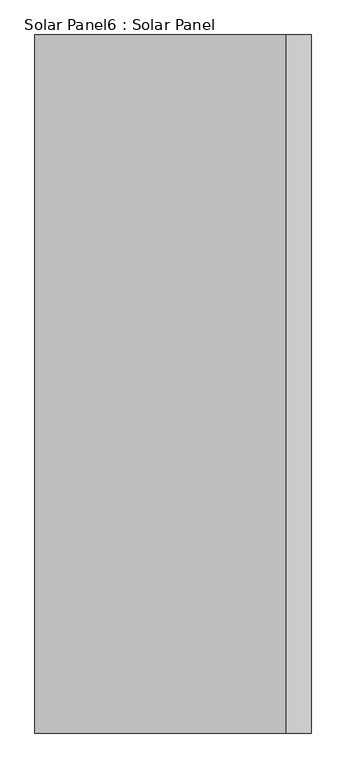
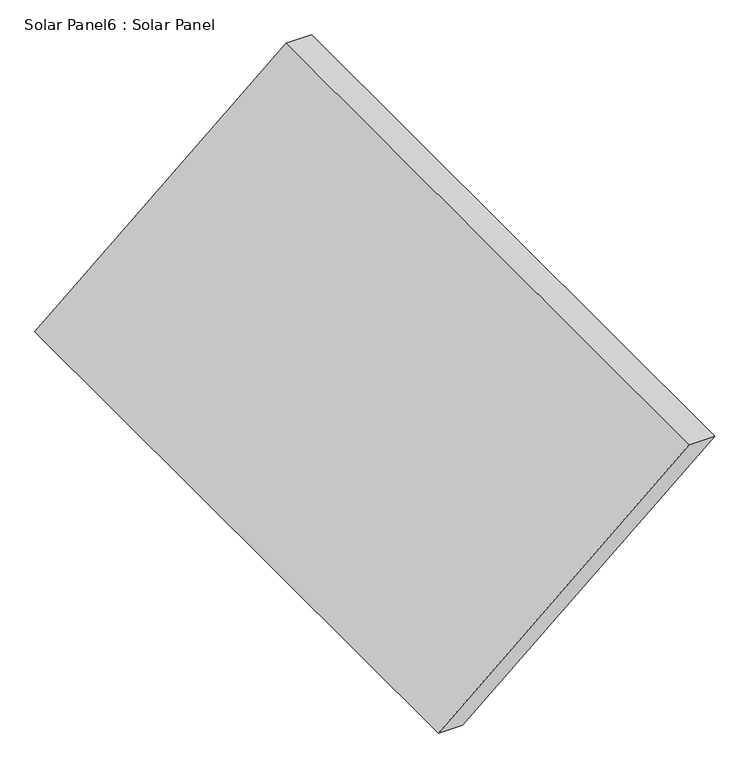
"""IFC4 building model written with IfcOpenShell, lengths in millimetres: air terminal geometry, Solar Panel6 : Solar Panel."""

import ifcopenshell
import ifcopenshell.guid

model = None  # the IFC model being written
_history = None  # IfcOwnerHistory: only IFC2X3 demands one
_inside = {}  # id of a spatial element -> (the spatial element, [elements in it])
_under = {}  # id of a project, library or spatial element -> (it, [spatial elements below it])
_declared = {}  # id of a project -> (the project, [libraries it declares])
_typed = {}  # id of a type object -> (the type object, [elements of that type])
_made_of = {}  # id of a material, layer set ... -> (it, [elements and type objects made of it])


def new_model(schema):
    """Start an empty IFC model of exactly this schema.

    Asked for "IFC4X3", IfcOpenShell would pick the latest addendum, in which some entities
    have other attributes; the version numbers below select the first issue.
    IFC2X3 requires an IfcOwnerHistory on every rooted entity: one is made here for all.
    """
    global model, _history
    if schema == "IFC4X3":
        model = ifcopenshell.file(schema_version=(4, 3, 0, 0))
    else:
        model = ifcopenshell.file(schema=schema)
    _inside.clear()
    _under.clear()
    _declared.clear()
    _typed.clear()
    _made_of.clear()
    _history = None
    if model.schema == "IFC2X3":
        org = make("IfcOrganization", Name="unknown")
        user = make(
            "IfcPersonAndOrganization",
            ThePerson=make("IfcPerson", FamilyName="unknown"),
            TheOrganization=org,
        )
        app = make(
            "IfcApplication",
            ApplicationDeveloper=org,
            Version="unknown",
            ApplicationFullName="unknown",
            ApplicationIdentifier="unknown",
        )
        _history = make(
            "IfcOwnerHistory",
            OwningUser=user,
            OwningApplication=app,
            ChangeAction="ADDED",
            CreationDate=0,
        )
    return model


def make(cls, **values):
    """One entity of the class cls with the attributes given. An attribute that is None is left unset."""
    return model.create_entity(
        cls, **{name: value for name, value in values.items() if value is not None}
    )


def rooted(cls, **values):
    """An entity with a GlobalId (a new one), such as an element, a storey or a relation."""
    return make(cls, GlobalId=ifcopenshell.guid.new(), OwnerHistory=_history, **values)


def si_unit(unit_type, name, prefix=None):
    """IfcSIUnit, for example si_unit("LENGTHUNIT", "METRE", prefix="MILLI")."""
    return make("IfcSIUnit", UnitType=unit_type, Prefix=prefix, Name=name)


def assignment(units):
    """IfcUnitAssignment: the units of a project."""
    return None if units is None else make("IfcUnitAssignment", Units=units)


def point(xyz):
    """IfcCartesianPoint."""
    return None if xyz is None else make("IfcCartesianPoint", Coordinates=xyz)


def direction(xyz):
    """IfcDirection."""
    return None if xyz is None else make("IfcDirection", DirectionRatios=xyz)


def frame(location, z_axis=None, x_axis=None):
    """IfcAxis2Placement3D, a coordinate frame: its origin and axes. An axis left out is left unset."""
    return make(
        "IfcAxis2Placement3D",
        Location=point(location),
        Axis=direction(z_axis),
        RefDirection=direction(x_axis),
    )


def origin():
    """The frame at (0, 0, 0) with its axes left unset."""
    return frame((0.0, 0.0, 0.0))


def place(relative_to, where):
    """IfcLocalPlacement: puts the frame where relative to a parent placement (None: the world)."""
    return make(
        "IfcLocalPlacement", PlacementRelTo=relative_to, RelativePlacement=where
    )


def context(
    kind, dimensions, precision=None, world=None, true_north=None, identifier=None
):
    """IfcGeometricRepresentationContext, for example the 3D "Model" context."""
    return make(
        "IfcGeometricRepresentationContext",
        ContextIdentifier=identifier,
        ContextType=kind,
        CoordinateSpaceDimension=dimensions,
        Precision=precision,
        WorldCoordinateSystem=world,
        TrueNorth=true_north,
    )


def project(units=None, contexts=None):
    """IfcProject with its units and contexts."""
    return rooted(
        "IfcProject",
        Name="project",
        RepresentationContexts=contexts,
        UnitsInContext=assignment(units),
    )


def spatial(cls, under=None, at=None, **own):
    """A site, building, storey or space (cls), placed at a placement, below another one or the project."""
    s = rooted(cls, ObjectPlacement=at, **own)
    if under is not None:
        _under.setdefault(under.id(), (under, []))[1].append(s)
    return s


def polyline(points):
    """IfcPolyline through the points."""
    return make("IfcPolyline", Points=[point(p) for p in points])


def outline(outer, holes=None, kind="AREA"):
    """IfcArbitraryClosedProfileDef: a profile drawn as a closed curve; with holes, ...WithVoids."""
    if holes is None:
        return make("IfcArbitraryClosedProfileDef", ProfileType=kind, OuterCurve=outer)
    return make(
        "IfcArbitraryProfileDefWithVoids",
        ProfileType=kind,
        OuterCurve=outer,
        InnerCurves=holes,
    )


def extrude(swept, where, along, depth):
    """IfcExtrudedAreaSolid: the profile swept, set in the frame where, extruded along a direction by depth."""
    return make(
        "IfcExtrudedAreaSolid",
        SweptArea=swept,
        Position=where,
        ExtrudedDirection=direction(along),
        Depth=depth,
    )


def shape(context_of_items, identifier, shape_type, items):
    """IfcShapeRepresentation: the items that make up one representation, for example the "Body"."""
    return make(
        "IfcShapeRepresentation",
        ContextOfItems=context_of_items,
        RepresentationIdentifier=identifier,
        RepresentationType=shape_type,
        Items=items,
    )


def source(mapping_origin, context_of_items, identifier, shape_type, items):
    """IfcRepresentationMap: a shape defined once, which mapped items show again and again."""
    return make(
        "IfcRepresentationMap",
        MappingOrigin=mapping_origin,
        MappedRepresentation=shape(context_of_items, identifier, shape_type, items),
    )


def transform(
    local_origin,
    x_axis=None,
    y_axis=None,
    z_axis=None,
    scale=None,
    scale2=None,
    scale3=None,
    uniform=True,
):
    """IfcCartesianTransformationOperator3D, or its non-uniform kind. x_axis, y_axis, z_axis: its Axis1, 2, 3."""
    if uniform:
        return make(
            "IfcCartesianTransformationOperator3D",
            Axis1=direction(x_axis),
            Axis2=direction(y_axis),
            LocalOrigin=point(local_origin),
            Scale=scale,
            Axis3=direction(z_axis),
        )
    return make(
        "IfcCartesianTransformationOperator3DnonUniform",
        Axis1=direction(x_axis),
        Axis2=direction(y_axis),
        LocalOrigin=point(local_origin),
        Scale=scale,
        Axis3=direction(z_axis),
        Scale2=scale2,
        Scale3=scale3,
    )


def mapped(mapping_source, mapping_target):
    """IfcMappedItem: shows the shape of a source again, moved by a transform."""
    return make(
        "IfcMappedItem", MappingSource=mapping_source, MappingTarget=mapping_target
    )


def made_of(thing, what):
    """Note that an element or type object is made of a material, layer set ...; save() writes the relation."""
    if what is not None:
        _made_of.setdefault(what.id(), (what, []))[1].append(thing)
    return thing


def element(
    cls,
    number,
    at=None,
    inside=None,
    cuts=None,
    type_object=None,
    material=None,
    context=None,
    identifier="Body",
    shape_type=None,
    held_by="IfcProductDefinitionShape",
    body=None,
    shapes=None,
    **own,
):
    """One element of the class cls, such as IfcWall. Its Tag is "e" and its number.

    at: its placement. inside: the storey or other place that contains it. cuts: it is an
    opening in that element (IfcRelVoidsElement). A single representation is given by context,
    identifier, shape_type and body (its items); several are given by shapes. held_by: the class
    of the entity that holds the representations. save() writes the other relations.
    """
    e = rooted(cls, Tag="e%d" % number, ObjectPlacement=at, **own)
    if body is not None:
        shapes = [shape(context, identifier, shape_type, body)]
    if shapes is not None:
        e.Representation = make(held_by, Representations=shapes)
    if inside is not None:
        _inside.setdefault(inside.id(), (inside, []))[1].append(e)
    if cuts is not None:
        rooted(
            "IfcRelVoidsElement", RelatingBuildingElement=cuts, RelatedOpeningElement=e
        )
    if type_object is not None:
        _typed.setdefault(type_object.id(), (type_object, []))[1].append(e)
    return made_of(e, material)


def aggregate(whole, parts):
    """IfcRelAggregates: a whole, such as a stair, and the parts it consists of."""
    return rooted("IfcRelAggregates", RelatingObject=whole, RelatedObjects=parts)


def save(model, path):
    """Write the relations noted so far, then the file.

    IfcRelAggregates (storeys below a building ...), IfcRelContainedInSpatialStructure (elements
    in a storey), IfcRelDefinesByType, IfcRelAssociatesMaterial and IfcRelDeclares: one each for
    every whole, place, type object, material and project.
    """
    for whole, parts in _under.values():
        aggregate(whole, parts)
    for where, things in _inside.values():
        rooted(
            "IfcRelContainedInSpatialStructure",
            RelatedElements=things,
            RelatingStructure=where,
        )
    for kind, things in _typed.values():
        rooted("IfcRelDefinesByType", RelatedObjects=things, RelatingType=kind)
    for what, things in _made_of.values():
        rooted("IfcRelAssociatesMaterial", RelatedObjects=things, RelatingMaterial=what)
    for by, libraries in _declared.values():
        rooted("IfcRelDeclares", RelatingContext=by, RelatedDefinitions=libraries)
    model.write(path)


def solar_panel6_solar_panel_240c39b7(model_context):
    return source(origin(), model_context, "Body", "SweptSolid", [
        extrude(outline(polyline([(5700.0, 17718.7013766), (5700.0, 17818.7013766), (6600.0, 18865.6178087), (6600.0, 18759.7003249), (5700.0, 17718.7013766)])), frame((0.0, 4948.0102422, 0.0), z_axis=(0.0, 1.0, 0.0), x_axis=(0.0, 0.0, 1.0)), (0.0, 0.0, 1.0), 2900.0),
    ])


if __name__ == "__main__":
    model = new_model("IFC4")
    model_context = context("Model", 3, world=origin())
    ifc_project = project(units=[si_unit("LENGTHUNIT", "METRE", prefix="MILLI")], contexts=[model_context])
    site = spatial("IfcSite", under=ifc_project)
    building = spatial("IfcBuilding", under=site)
    placement = place(None, origin())
    solar_panel6_solar_panel_shape = solar_panel6_solar_panel_240c39b7(model_context)
    element("IfcAirTerminal", 1, ObjectType="Solar Panel6 : Solar Panel", at=placement, inside=building, context=model_context, shape_type="MappedRepresentation", body=[
        mapped(solar_panel6_solar_panel_shape, transform((0.0, 0.0, 0.0), x_axis=(1.0, 0.0, 0.0), y_axis=(0.0, 1.0, 0.0), z_axis=(0.0, 0.0, 1.0))),
    ])
    save(model, "model.ifc")
